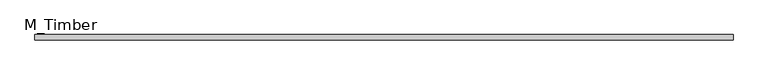
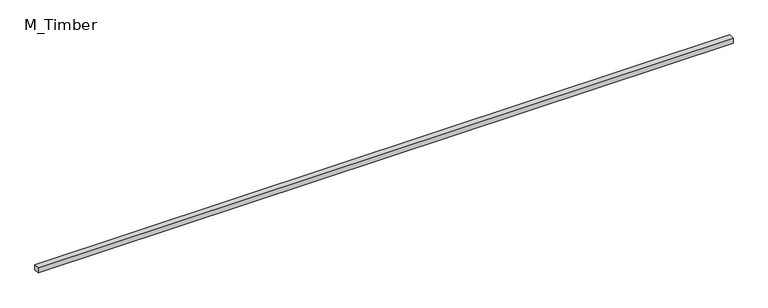
"""IFC4 building model written with IfcOpenShell, lengths in millimetres: beam geometry, M_Timber."""

from ifc_helpers import new_model, si_unit, frame, origin, place, context, project, spatial, polyline, outline, extrude, source, transform, mapped, element, save


def m_timber_74821a18(model_context):
    return source(origin(), model_context, "Body", "SweptSolid", [
        extrude(outline(polyline([(2539.0123116, 20.0), (2539.0123116, -20.0), (-2539.0123116, -20.0), (-2539.0123116, 20.0), (2539.0123116, 20.0)])), frame((0.0, 0.0, -20.0), z_axis=(0.0, 0.0, 1.0), x_axis=(1.0, 0.0, 0.0)), (0.0, 0.0, 1.0), 40.0),
    ])


if __name__ == "__main__":
    model = new_model("IFC4")
    model_context = context("Model", 3, world=origin())
    ifc_project = project(units=[si_unit("LENGTHUNIT", "METRE", prefix="MILLI")], contexts=[model_context])
    site = spatial("IfcSite", under=ifc_project)
    building = spatial("IfcBuilding", under=site)
    placement = place(None, origin())
    m_timber_shape = m_timber_74821a18(model_context)
    element("IfcBeam", 1, ObjectType="M_Timber", at=placement, inside=building, context=model_context, shape_type="MappedRepresentation", body=[
        mapped(m_timber_shape, transform((0.0, 0.0, 0.0), x_axis=(1.0, 0.0, 0.0), y_axis=(0.0, 1.0, 0.0), z_axis=(0.0, 0.0, 1.0))),
    ])
    save(model, "model.ifc")
